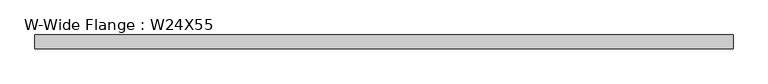
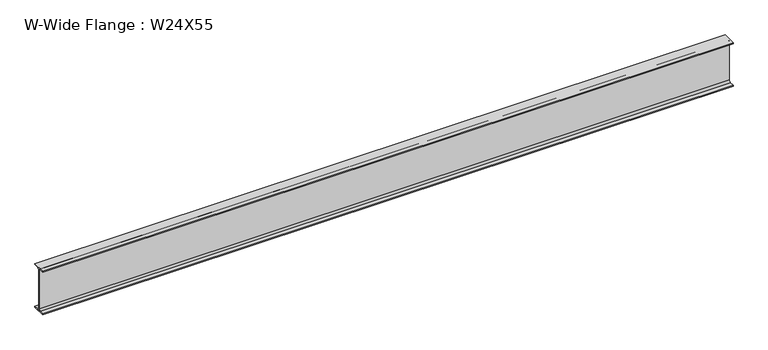
"""IFC4 building model written with IfcOpenShell, lengths in millimetres: beam geometry, W-Wide Flange : W24X55."""

import ifcopenshell
import ifcopenshell.guid

model = None  # the IFC model being written
_history = None  # IfcOwnerHistory: only IFC2X3 demands one
_inside = {}  # id of a spatial element -> (the spatial element, [elements in it])
_under = {}  # id of a project, library or spatial element -> (it, [spatial elements below it])
_declared = {}  # id of a project -> (the project, [libraries it declares])
_typed = {}  # id of a type object -> (the type object, [elements of that type])
_made_of = {}  # id of a material, layer set ... -> (it, [elements and type objects made of it])


def new_model(schema):
    """Start an empty IFC model of exactly this schema.

    Asked for "IFC4X3", IfcOpenShell would pick the latest addendum, in which some entities
    have other attributes; the version numbers below select the first issue.
    IFC2X3 requires an IfcOwnerHistory on every rooted entity: one is made here for all.
    """
    global model, _history
    if schema == "IFC4X3":
        model = ifcopenshell.file(schema_version=(4, 3, 0, 0))
    else:
        model = ifcopenshell.file(schema=schema)
    _inside.clear()
    _under.clear()
    _declared.clear()
    _typed.clear()
    _made_of.clear()
    _history = None
    if model.schema == "IFC2X3":
        org = make("IfcOrganization", Name="unknown")
        user = make(
            "IfcPersonAndOrganization",
            ThePerson=make("IfcPerson", FamilyName="unknown"),
            TheOrganization=org,
        )
        app = make(
            "IfcApplication",
            ApplicationDeveloper=org,
            Version="unknown",
            ApplicationFullName="unknown",
            ApplicationIdentifier="unknown",
        )
        _history = make(
            "IfcOwnerHistory",
            OwningUser=user,
            OwningApplication=app,
            ChangeAction="ADDED",
            CreationDate=0,
        )
    return model


def make(cls, **values):
    """One entity of the class cls with the attributes given. An attribute that is None is left unset."""
    return model.create_entity(
        cls, **{name: value for name, value in values.items() if value is not None}
    )


def rooted(cls, **values):
    """An entity with a GlobalId (a new one), such as an element, a storey or a relation."""
    return make(cls, GlobalId=ifcopenshell.guid.new(), OwnerHistory=_history, **values)


def si_unit(unit_type, name, prefix=None):
    """IfcSIUnit, for example si_unit("LENGTHUNIT", "METRE", prefix="MILLI")."""
    return make("IfcSIUnit", UnitType=unit_type, Prefix=prefix, Name=name)


def assignment(units):
    """IfcUnitAssignment: the units of a project."""
    return None if units is None else make("IfcUnitAssignment", Units=units)


def point(xyz):
    """IfcCartesianPoint."""
    return None if xyz is None else make("IfcCartesianPoint", Coordinates=xyz)


def direction(xyz):
    """IfcDirection."""
    return None if xyz is None else make("IfcDirection", DirectionRatios=xyz)


def frame(location, z_axis=None, x_axis=None):
    """IfcAxis2Placement3D, a coordinate frame: its origin and axes. An axis left out is left unset."""
    return make(
        "IfcAxis2Placement3D",
        Location=point(location),
        Axis=direction(z_axis),
        RefDirection=direction(x_axis),
    )


def frame_2d(location, x_axis=None):
    """IfcAxis2Placement2D, a coordinate frame in the plane: its origin and x axis."""
    return make(
        "IfcAxis2Placement2D", Location=point(location), RefDirection=direction(x_axis)
    )


def origin():
    """The frame at (0, 0, 0) with its axes left unset."""
    return frame((0.0, 0.0, 0.0))


def place(relative_to, where):
    """IfcLocalPlacement: puts the frame where relative to a parent placement (None: the world)."""
    return make(
        "IfcLocalPlacement", PlacementRelTo=relative_to, RelativePlacement=where
    )


def context(
    kind, dimensions, precision=None, world=None, true_north=None, identifier=None
):
    """IfcGeometricRepresentationContext, for example the 3D "Model" context."""
    return make(
        "IfcGeometricRepresentationContext",
        ContextIdentifier=identifier,
        ContextType=kind,
        CoordinateSpaceDimension=dimensions,
        Precision=precision,
        WorldCoordinateSystem=world,
        TrueNorth=true_north,
    )


def project(units=None, contexts=None):
    """IfcProject with its units and contexts."""
    return rooted(
        "IfcProject",
        Name="project",
        RepresentationContexts=contexts,
        UnitsInContext=assignment(units),
    )


def spatial(cls, under=None, at=None, **own):
    """A site, building, storey or space (cls), placed at a placement, below another one or the project."""
    s = rooted(cls, ObjectPlacement=at, **own)
    if under is not None:
        _under.setdefault(under.id(), (under, []))[1].append(s)
    return s


def polyline(points):
    """IfcPolyline through the points."""
    return make("IfcPolyline", Points=[point(p) for p in points])


def circle_curve(where, radius):
    """IfcCircle in the frame where."""
    return make("IfcCircle", Position=where, Radius=radius)


def trimmed(basis, trim1, trim2, sense, master):
    """IfcTrimmedCurve: the piece of a basis curve between two trims."""
    return make(
        "IfcTrimmedCurve",
        BasisCurve=basis,
        Trim1=trim1,
        Trim2=trim2,
        SenseAgreement=sense,
        MasterRepresentation=master,
    )


def segment(curve, same_sense, transition):
    """IfcCompositeCurveSegment."""
    return make(
        "IfcCompositeCurveSegment",
        Transition=transition,
        SameSense=same_sense,
        ParentCurve=curve,
    )


def composite_curve(segments, self_intersect=None):
    """IfcCompositeCurve: segments joined end to end."""
    return make("IfcCompositeCurve", Segments=segments, SelfIntersect=self_intersect)


def outline(outer, holes=None, kind="AREA"):
    """IfcArbitraryClosedProfileDef: a profile drawn as a closed curve; with holes, ...WithVoids."""
    if holes is None:
        return make("IfcArbitraryClosedProfileDef", ProfileType=kind, OuterCurve=outer)
    return make(
        "IfcArbitraryProfileDefWithVoids",
        ProfileType=kind,
        OuterCurve=outer,
        InnerCurves=holes,
    )


def extrude(swept, where, along, depth):
    """IfcExtrudedAreaSolid: the profile swept, set in the frame where, extruded along a direction by depth."""
    return make(
        "IfcExtrudedAreaSolid",
        SweptArea=swept,
        Position=where,
        ExtrudedDirection=direction(along),
        Depth=depth,
    )


def shape(context_of_items, identifier, shape_type, items):
    """IfcShapeRepresentation: the items that make up one representation, for example the "Body"."""
    return make(
        "IfcShapeRepresentation",
        ContextOfItems=context_of_items,
        RepresentationIdentifier=identifier,
        RepresentationType=shape_type,
        Items=items,
    )


def source(mapping_origin, context_of_items, identifier, shape_type, items):
    """IfcRepresentationMap: a shape defined once, which mapped items show again and again."""
    return make(
        "IfcRepresentationMap",
        MappingOrigin=mapping_origin,
        MappedRepresentation=shape(context_of_items, identifier, shape_type, items),
    )


def transform(
    local_origin,
    x_axis=None,
    y_axis=None,
    z_axis=None,
    scale=None,
    scale2=None,
    scale3=None,
    uniform=True,
):
    """IfcCartesianTransformationOperator3D, or its non-uniform kind. x_axis, y_axis, z_axis: its Axis1, 2, 3."""
    if uniform:
        return make(
            "IfcCartesianTransformationOperator3D",
            Axis1=direction(x_axis),
            Axis2=direction(y_axis),
            LocalOrigin=point(local_origin),
            Scale=scale,
            Axis3=direction(z_axis),
        )
    return make(
        "IfcCartesianTransformationOperator3DnonUniform",
        Axis1=direction(x_axis),
        Axis2=direction(y_axis),
        LocalOrigin=point(local_origin),
        Scale=scale,
        Axis3=direction(z_axis),
        Scale2=scale2,
        Scale3=scale3,
    )


def mapped(mapping_source, mapping_target):
    """IfcMappedItem: shows the shape of a source again, moved by a transform."""
    return make(
        "IfcMappedItem", MappingSource=mapping_source, MappingTarget=mapping_target
    )


def made_of(thing, what):
    """Note that an element or type object is made of a material, layer set ...; save() writes the relation."""
    if what is not None:
        _made_of.setdefault(what.id(), (what, []))[1].append(thing)
    return thing


def element(
    cls,
    number,
    at=None,
    inside=None,
    cuts=None,
    type_object=None,
    material=None,
    context=None,
    identifier="Body",
    shape_type=None,
    held_by="IfcProductDefinitionShape",
    body=None,
    shapes=None,
    **own,
):
    """One element of the class cls, such as IfcWall. Its Tag is "e" and its number.

    at: its placement. inside: the storey or other place that contains it. cuts: it is an
    opening in that element (IfcRelVoidsElement). A single representation is given by context,
    identifier, shape_type and body (its items); several are given by shapes. held_by: the class
    of the entity that holds the representations. save() writes the other relations.
    """
    e = rooted(cls, Tag="e%d" % number, ObjectPlacement=at, **own)
    if body is not None:
        shapes = [shape(context, identifier, shape_type, body)]
    if shapes is not None:
        e.Representation = make(held_by, Representations=shapes)
    if inside is not None:
        _inside.setdefault(inside.id(), (inside, []))[1].append(e)
    if cuts is not None:
        rooted(
            "IfcRelVoidsElement", RelatingBuildingElement=cuts, RelatedOpeningElement=e
        )
    if type_object is not None:
        _typed.setdefault(type_object.id(), (type_object, []))[1].append(e)
    return made_of(e, material)


def aggregate(whole, parts):
    """IfcRelAggregates: a whole, such as a stair, and the parts it consists of."""
    return rooted("IfcRelAggregates", RelatingObject=whole, RelatedObjects=parts)


def save(model, path):
    """Write the relations noted so far, then the file.

    IfcRelAggregates (storeys below a building ...), IfcRelContainedInSpatialStructure (elements
    in a storey), IfcRelDefinesByType, IfcRelAssociatesMaterial and IfcRelDeclares: one each for
    every whole, place, type object, material and project.
    """
    for whole, parts in _under.values():
        aggregate(whole, parts)
    for where, things in _inside.values():
        rooted(
            "IfcRelContainedInSpatialStructure",
            RelatedElements=things,
            RelatingStructure=where,
        )
    for kind, things in _typed.values():
        rooted("IfcRelDefinesByType", RelatedObjects=things, RelatingType=kind)
    for what, things in _made_of.values():
        rooted("IfcRelAssociatesMaterial", RelatedObjects=things, RelatingMaterial=what)
    for by, libraries in _declared.values():
        rooted("IfcRelDeclares", RelatingContext=by, RelatedDefinitions=libraries)
    model.write(path)


def w_wide_flange_w24x55_331b593d(model_context):
    return source(origin(), model_context, "Body", "SweptSolid", [
        extrude(outline(composite_curve([segment(polyline([(89.0488281, -286.940625), (89.0488281, -299.7398438), (-89.0488281, -299.7398438), (-89.0488281, -286.940625), (-28.7238281, -286.940625)]), True, "CONTINUOUS"), segment(trimmed(circle_curve(frame_2d((-28.7238281, -263.2273438)), 23.7132812), [point((-28.7238281, -286.940625))], [point((-5.0105469, -263.2273438))], True, "CARTESIAN"), True, "CONTINUOUS"), segment(polyline([(-5.0105469, -263.2273438), (-5.0105469, 263.2273437)]), True, "CONTINUOUS"), segment(trimmed(circle_curve(frame_2d((-28.7238281, 263.2273437)), 23.7132812), [point((-5.0105469, 263.2273437))], [point((-28.7238281, 286.940625))], True, "CARTESIAN"), True, "CONTINUOUS"), segment(polyline([(-28.7238281, 286.940625), (-89.0488281, 286.940625), (-89.0488281, 299.7398437), (89.0488281, 299.7398437), (89.0488281, 286.940625), (28.7238281, 286.940625)]), True, "CONTINUOUS"), segment(trimmed(circle_curve(frame_2d((28.7238281, 263.2273437)), 23.7132812), [point((28.7238281, 286.940625))], [point((5.0105469, 263.2273437))], True, "CARTESIAN"), True, "CONTINUOUS"), segment(polyline([(5.0105469, 263.2273437), (5.0105469, -263.2273438)]), True, "CONTINUOUS"), segment(trimmed(circle_curve(frame_2d((28.7238281, -263.2273438)), 23.7132812), [point((5.0105469, -263.2273438))], [point((28.7238281, -286.940625))], True, "CARTESIAN"), True, "CONTINUOUS"), segment(polyline([(28.7238281, -286.940625), (89.0488281, -286.940625)]), True, "CONTINUOUS")], self_intersect=False)), frame((-4483.1, 0.0, 0.0), z_axis=(1.0, 0.0, 0.0), x_axis=(0.0, 1.0, 0.0)), (0.0, 0.0, 1.0), 8990.6078125),
    ])


if __name__ == "__main__":
    model = new_model("IFC4")
    model_context = context("Model", 3, world=origin())
    ifc_project = project(units=[si_unit("LENGTHUNIT", "METRE", prefix="MILLI")], contexts=[model_context])
    site = spatial("IfcSite", under=ifc_project)
    building = spatial("IfcBuilding", under=site)
    placement = place(None, origin())
    w_wide_flange_w24x55_shape = w_wide_flange_w24x55_331b593d(model_context)
    element("IfcBeam", 1, ObjectType="W-Wide Flange : W24X55", at=placement, inside=building, context=model_context, shape_type="MappedRepresentation", body=[
        mapped(w_wide_flange_w24x55_shape, transform((0.0, 0.0, 0.0), x_axis=(1.0, 0.0, 0.0), y_axis=(0.0, 1.0, 0.0), z_axis=(0.0, 0.0, 1.0))),
    ])
    save(model, "model.ifc")
